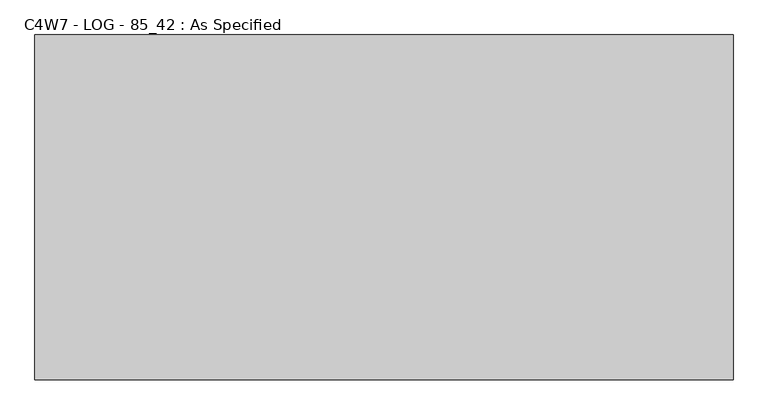
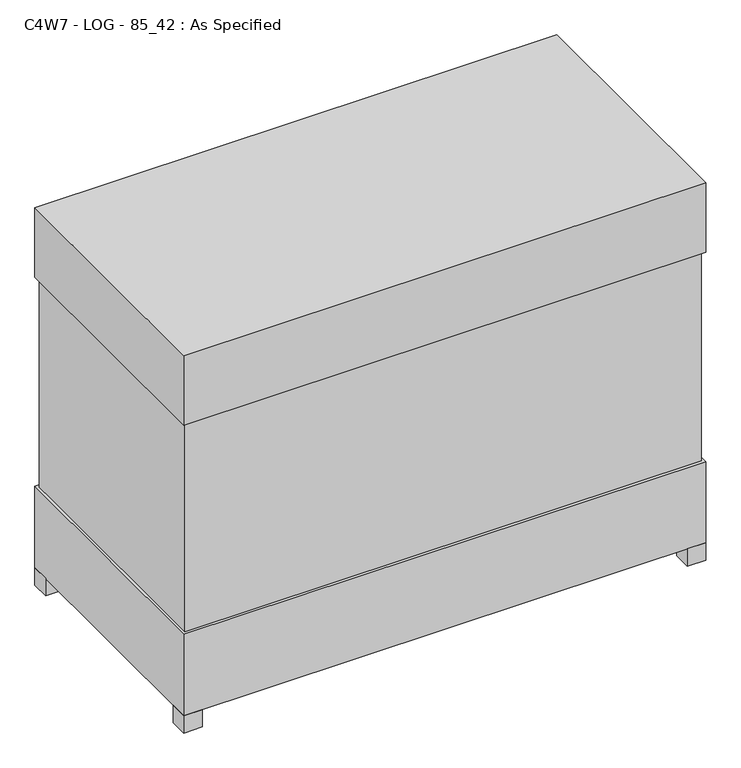
"""IFC4 building model written with IfcOpenShell, lengths in millimetres: proxy geometry, C4W7 - LOG - 85_42 : As Specified."""

from ifc_helpers import new_model, si_unit, frame, origin, origin_with_axes, place, context, project, spatial, polyline, outline, extrude, source, transform, mapped, element, save


def c4w7_log_85_42_as_specified_8a90ea6b(model_context):
    return source(origin(), model_context, "Body", "SweptSolid", [
        extrude(outline(polyline([(1068.3875, 522.2875), (1068.3875, -522.2875), (-1068.3875, -522.2875), (-1068.3875, 522.2875), (1068.3875, 522.2875)])), frame((0.0, 0.0, 431.8), z_axis=(0.0, 0.0, 1.0), x_axis=(1.0, 0.0, 0.0)), (0.0, 0.0, 1.0), 914.4),
        extrude(outline(polyline([(1079.5, 533.4), (1079.5, -533.4), (-1079.5, -533.4), (-1079.5, 533.4), (1079.5, 533.4)])), frame((0.0, 0.0, 1346.2), z_axis=(0.0, 0.0, 1.0), x_axis=(1.0, 0.0, 0.0)), (0.0, 0.0, 1.0), 304.8),
        extrude(outline(polyline([(965.2, 317.5), (965.2, 241.3), (889.0, 241.3), (889.0, 317.5), (965.2, 317.5)])), frame((0.0, 0.0, 50.8), z_axis=(0.0, 0.0, 1.0), x_axis=(1.0, 0.0, 0.0)), (0.0, 0.0, 1.0), 25.4),
        extrude(outline(polyline([(965.2, -241.3), (965.2, -317.5), (889.0, -317.5), (889.0, -241.3), (965.2, -241.3)])), frame((0.0, 0.0, 50.8), z_axis=(0.0, 0.0, 1.0), x_axis=(1.0, 0.0, 0.0)), (0.0, 0.0, 1.0), 25.4),
        extrude(outline(polyline([(-1003.3, 533.4), (-1003.3, 457.2), (-1079.5, 457.2), (-1079.5, 533.4), (-1003.3, 533.4)])), origin_with_axes(), (0.0, 0.0, 1.0), 76.2),
        extrude(outline(polyline([(1079.5, 533.4), (1079.5, 457.2), (1003.3, 457.2), (1003.3, 533.4), (1079.5, 533.4)])), origin_with_axes(), (0.0, 0.0, 1.0), 76.2),
        extrude(outline(polyline([(1079.5, -457.2), (1079.5, -533.4), (1003.3, -533.4), (1003.3, -457.2), (1079.5, -457.2)])), origin_with_axes(), (0.0, 0.0, 1.0), 76.2),
        extrude(outline(polyline([(-1003.3, -457.2), (-1003.3, -533.4), (-1079.5, -533.4), (-1079.5, -457.2), (-1003.3, -457.2)])), origin_with_axes(), (0.0, 0.0, 1.0), 76.2),
        extrude(outline(polyline([(1079.5, 533.4), (1079.5, -533.4), (-1079.5, -533.4), (-1079.5, 533.4), (1079.5, 533.4)])), frame((0.0, 0.0, 76.2), z_axis=(0.0, 0.0, 1.0), x_axis=(1.0, 0.0, 0.0)), (0.0, 0.0, 1.0), 355.6),
    ])


if __name__ == "__main__":
    model = new_model("IFC4")
    model_context = context("Model", 3, world=origin())
    ifc_project = project(units=[si_unit("LENGTHUNIT", "METRE", prefix="MILLI")], contexts=[model_context])
    site = spatial("IfcSite", under=ifc_project)
    building = spatial("IfcBuilding", under=site)
    placement = place(None, origin())
    c4w7_log_85_42_as_specified_shape = c4w7_log_85_42_as_specified_8a90ea6b(model_context)
    element("IfcBuildingElementProxy", 1, Name="C4W7 - LOG - 85_42 : As Specified", ObjectType="C4W7 - LOG - 85_42 : As Specified", at=placement, inside=building, context=model_context, shape_type="MappedRepresentation", body=[
        mapped(c4w7_log_85_42_as_specified_shape, transform((0.0, 0.0, 0.0), x_axis=(1.0, 0.0, 0.0), y_axis=(0.0, 1.0, 0.0), z_axis=(0.0, 0.0, 1.0))),
    ])
    save(model, "model.ifc")
